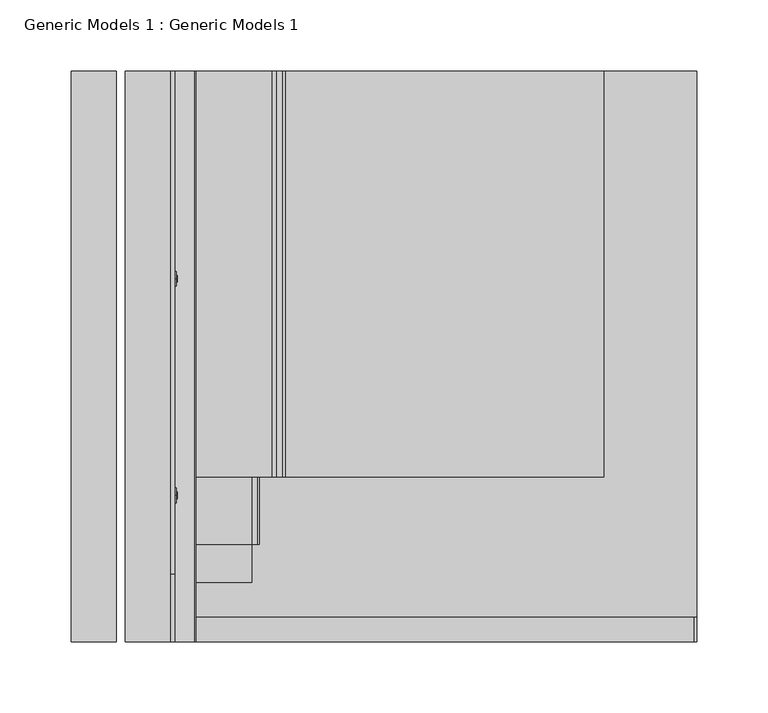
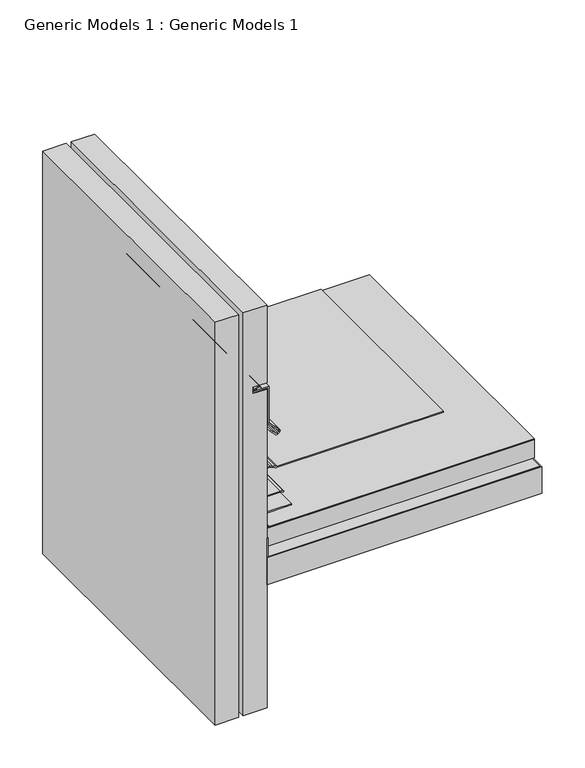
"""IFC4 building model written with IfcOpenShell, lengths in millimetres: proxy geometry, Generic Models 1 : Generic Models 1."""

from ifc_helpers import new_model, si_unit, point, frame, frame_2d, origin, place, context, project, spatial, polyline, circle_curve, trimmed, segment, composite_curve, outline, extrude, faceted_brep, source, transform, mapped, element, save
from ifc_brep_helpers import plane_surface, cylinder_surface, revolved_surface, advanced_brep


def generic_models_1_generic_models_1_fb7f0ab1(model_context):
    return source(origin(), model_context, "Body", "SolidModel", [
        extrude(outline(polyline([(160.7084407, 450.4638003), (161.5021907, 450.4638003), (161.5021907, 83.8272153), (188.0861756, 83.8272153), (188.0861756, 83.0334653), (160.7084407, 83.0334653), (160.7084407, 450.4638003)])), frame((0.0, -7.6337431, 0.0), z_axis=(0.0, 1.0, 0.0), x_axis=(0.0, 0.0, 1.0)), (0.0, 0.0, 1.0), 401.4806821),
        extrude(outline(polyline([(82.55, 261.3017557), (452.7651001, 261.3017557), (452.7651001, -7.6337431), (82.55, -7.6337431), (82.55, 261.3017557)])), frame((0.0, 0.0, 122.2156673), z_axis=(0.0, 0.0, 1.0), x_axis=(1.0, 0.0, 0.0)), (0.0, 0.0, 1.0), 38.1),
        advanced_brep(
        [(74.848277, 247.65, 376.3837714), (74.848277, 247.65, 378.1346767), (69.8833383, 247.65, 377.259224), (85.725, 247.65, 376.3837714), (85.725, 247.65, 378.1346767), (85.725, 247.65, 372.0261873), (85.725, 247.65, 382.4922608), (86.5293292, 247.65, 372.0261873), (86.5293292, 247.65, 382.4922608), (86.5293292, 247.65, 374.842855), (86.5293292, 247.65, 379.6755931), (87.3191506, 247.65, 374.842855), (87.3191506, 247.65, 379.6755931), (87.3191506, 247.65, 377.259224)],
        [
            (0, 1, circle_curve(frame((74.848277, 247.65, 377.259224), z_axis=(-1.0, 0.0, 0.0), x_axis=(0.0, 0.0, 1.0)), 0.8754526)),
            (1, 2),
            (2, 0),
            (1, 0, circle_curve(frame((74.848277, 247.65, 377.259224), z_axis=(-1.0, 0.0, 0.0), x_axis=(0.0, 0.0, 1.0)), 0.8754526)),
            (3, 4, circle_curve(frame((85.725, 247.65, 377.259224), z_axis=(-1.0, 0.0, 0.0), x_axis=(0.0, 0.0, 1.0)), 0.8754526)),
            (4, 1),
            (0, 3),
            (4, 3, circle_curve(frame((85.725, 247.65, 377.259224), z_axis=(-1.0, 0.0, 0.0), x_axis=(0.0, 0.0, 1.0)), 0.8754526)),
            (5, 6, circle_curve(frame((85.725, 247.65, 377.259224), z_axis=(-1.0, 0.0, 0.0), x_axis=(0.0, 0.0, 1.0)), 5.2330367)),
            (6, 4),
            (3, 5),
            (6, 5, circle_curve(frame((85.725, 247.65, 377.259224), z_axis=(-1.0, 0.0, 0.0), x_axis=(0.0, 0.0, 1.0)), 5.2330367)),
            (7, 8, circle_curve(frame((86.5293292, 247.65, 377.259224), z_axis=(-1.0, 0.0, 0.0), x_axis=(0.0, 0.0, 1.0)), 5.2330367)),
            (8, 6),
            (5, 7),
            (8, 7, circle_curve(frame((86.5293292, 247.65, 377.259224), z_axis=(-1.0, 0.0, 0.0), x_axis=(0.0, 0.0, 1.0)), 5.2330367)),
            (9, 10, circle_curve(frame((86.5293292, 247.65, 377.259224), z_axis=(-1.0, 0.0, 0.0), x_axis=(0.0, 0.0, 1.0)), 2.4163691)),
            (10, 8),
            (7, 9),
            (10, 9, circle_curve(frame((86.5293292, 247.65, 377.259224), z_axis=(-1.0, 0.0, 0.0), x_axis=(0.0, 0.0, 1.0)), 2.4163691)),
            (11, 12, circle_curve(frame((87.3191506, 247.65, 377.259224), z_axis=(-1.0, 0.0, 0.0), x_axis=(0.0, 0.0, 1.0)), 2.4163691)),
            (12, 10),
            (9, 11),
            (12, 11, circle_curve(frame((87.3191506, 247.65, 377.259224), z_axis=(-1.0, 0.0, 0.0), x_axis=(0.0, 0.0, 1.0)), 2.4163691)),
            (13, 12),
            (11, 13),
        ],
        [
            revolved_surface(polyline([(69.8833383, 247.65, 377.259224), (74.848277, 247.65, 378.1346767)]), (87.3191506, 247.65, 377.259224), (1.0, 0.0, 0.0)),
            cylinder_surface(frame((87.3191506, 247.65, 377.259224), z_axis=(1.0, 0.0, 0.0), x_axis=(0.0, 0.0, 1.0)), 0.8754526),
            plane_surface(frame((85.725, 247.65, 377.259224), z_axis=(-1.0, 0.0, 0.0), x_axis=(0.0, 0.0, 1.0))),
            cylinder_surface(frame((87.3191506, 247.65, 377.259224), z_axis=(1.0, 0.0, 0.0), x_axis=(0.0, 0.0, 1.0)), 5.2330367),
            plane_surface(frame((86.5293292, 247.65, 377.259224), z_axis=(1.0, 0.0, 0.0), x_axis=(0.0, 0.0, 1.0))),
            cylinder_surface(frame((87.3191506, 247.65, 377.259224), z_axis=(1.0, 0.0, 0.0), x_axis=(0.0, 0.0, 1.0)), 2.4163691),
            plane_surface(frame((87.3191506, 247.65, 377.259224), z_axis=(1.0, 0.0, 0.0), x_axis=(0.0, 0.0, 1.0))),
        ],
        [
            (0, [[1, 2, 3]]),
            (0, [[4, -3, -2]]),
            (1, [[5, 6, -1, 7]]),
            (1, [[8, -7, -4, -6]]),
            (2, [[9, 10, -5, 11]]),
            (2, [[12, -11, -8, -10]]),
            (3, [[13, 14, -9, 15]]),
            (3, [[16, -15, -12, -14]]),
            (4, [[17, 18, -13, 19]]),
            (4, [[20, -19, -16, -18]]),
            (5, [[21, 22, -17, 23]]),
            (5, [[24, -23, -20, -22]]),
            (6, [[25, -21, 26]]),
            (6, [[-26, -24, -25]]),
        ],
    ),
        advanced_brep(
        [(74.848277, 95.25, 376.3837714), (74.848277, 95.25, 378.1346767), (69.8833383, 95.25, 377.259224), (85.725, 95.25, 376.3837714), (85.725, 95.25, 378.1346767), (85.725, 95.25, 372.0261873), (85.725, 95.25, 382.4922608), (86.5293292, 95.25, 372.0261873), (86.5293292, 95.25, 382.4922608), (86.5293292, 95.25, 374.842855), (86.5293292, 95.25, 379.6755931), (87.3191506, 95.25, 374.842855), (87.3191506, 95.25, 379.6755931), (87.3191506, 95.25, 377.259224)],
        [
            (0, 1, circle_curve(frame((74.848277, 95.25, 377.259224), z_axis=(-1.0, 0.0, 0.0), x_axis=(0.0, 0.0, 1.0)), 0.8754526)),
            (1, 2),
            (2, 0),
            (1, 0, circle_curve(frame((74.848277, 95.25, 377.259224), z_axis=(-1.0, 0.0, 0.0), x_axis=(0.0, 0.0, 1.0)), 0.8754526)),
            (3, 4, circle_curve(frame((85.725, 95.25, 377.259224), z_axis=(-1.0, 0.0, 0.0), x_axis=(0.0, 0.0, 1.0)), 0.8754526)),
            (4, 1),
            (0, 3),
            (4, 3, circle_curve(frame((85.725, 95.25, 377.259224), z_axis=(-1.0, 0.0, 0.0), x_axis=(0.0, 0.0, 1.0)), 0.8754526)),
            (5, 6, circle_curve(frame((85.725, 95.25, 377.259224), z_axis=(-1.0, 0.0, 0.0), x_axis=(0.0, 0.0, 1.0)), 5.2330367)),
            (6, 4),
            (3, 5),
            (6, 5, circle_curve(frame((85.725, 95.25, 377.259224), z_axis=(-1.0, 0.0, 0.0), x_axis=(0.0, 0.0, 1.0)), 5.2330367)),
            (7, 8, circle_curve(frame((86.5293292, 95.25, 377.259224), z_axis=(-1.0, 0.0, 0.0), x_axis=(0.0, 0.0, 1.0)), 5.2330367)),
            (8, 6),
            (5, 7),
            (8, 7, circle_curve(frame((86.5293292, 95.25, 377.259224), z_axis=(-1.0, 0.0, 0.0), x_axis=(0.0, 0.0, 1.0)), 5.2330367)),
            (9, 10, circle_curve(frame((86.5293292, 95.25, 377.259224), z_axis=(-1.0, 0.0, 0.0), x_axis=(0.0, 0.0, 1.0)), 2.4163691)),
            (10, 8),
            (7, 9),
            (10, 9, circle_curve(frame((86.5293292, 95.25, 377.259224), z_axis=(-1.0, 0.0, 0.0), x_axis=(0.0, 0.0, 1.0)), 2.4163691)),
            (11, 12, circle_curve(frame((87.3191506, 95.25, 377.259224), z_axis=(-1.0, 0.0, 0.0), x_axis=(0.0, 0.0, 1.0)), 2.4163691)),
            (12, 10),
            (9, 11),
            (12, 11, circle_curve(frame((87.3191506, 95.25, 377.259224), z_axis=(-1.0, 0.0, 0.0), x_axis=(0.0, 0.0, 1.0)), 2.4163691)),
            (13, 12),
            (11, 13),
        ],
        [
            revolved_surface(polyline([(69.8833383, 95.25, 377.259224), (74.848277, 95.25, 378.1346767)]), (87.3191506, 95.25, 377.259224), (1.0, 0.0, 0.0)),
            cylinder_surface(frame((87.3191506, 95.25, 377.259224), z_axis=(1.0, 0.0, 0.0), x_axis=(0.0, 0.0, 1.0)), 0.8754526),
            plane_surface(frame((85.725, 95.25, 377.259224), z_axis=(-1.0, 0.0, 0.0), x_axis=(0.0, 0.0, 1.0))),
            cylinder_surface(frame((87.3191506, 95.25, 377.259224), z_axis=(1.0, 0.0, 0.0), x_axis=(0.0, 0.0, 1.0)), 5.2330367),
            plane_surface(frame((86.5293292, 95.25, 377.259224), z_axis=(1.0, 0.0, 0.0), x_axis=(0.0, 0.0, 1.0))),
            cylinder_surface(frame((87.3191506, 95.25, 377.259224), z_axis=(1.0, 0.0, 0.0), x_axis=(0.0, 0.0, 1.0)), 2.4163691),
            plane_surface(frame((87.3191506, 95.25, 377.259224), z_axis=(1.0, 0.0, 0.0), x_axis=(0.0, 0.0, 1.0))),
        ],
        [
            (0, [[1, 2, 3]]),
            (0, [[4, -3, -2]]),
            (1, [[5, 6, -1, 7]]),
            (1, [[8, -7, -4, -6]]),
            (2, [[9, 10, -5, 11]]),
            (2, [[12, -11, -8, -10]]),
            (3, [[13, 14, -9, 15]]),
            (3, [[16, -15, -12, -14]]),
            (4, [[17, 18, -13, 19]]),
            (4, [[20, -19, -16, -18]]),
            (5, [[21, 22, -17, 23]]),
            (5, [[24, -23, -20, -22]]),
            (6, [[25, -21, 26]]),
            (6, [[-26, -24, -25]]),
        ],
    ),
        extrude(outline(polyline([(82.55, 393.8469389), (452.7651001, 393.8469389), (452.7651001, 9.7411787), (82.55, 9.7411787), (82.55, 393.8469389)])), frame((0.0, 0.0, 188.9125), z_axis=(0.0, 0.0, 1.0), x_axis=(1.0, 0.0, 0.0)), (0.0, 0.0, 1.0), 0.79375),
        extrude(outline(composite_curve([segment(polyline([(403.225, 75.1423299), (403.225, 85.725)]), True, "CONTINUOUS"), segment(trimmed(circle_curve(frame_2d((402.9309182, 77.1993364)), 8.5307341), [point((403.225, 85.725))], [point((409.575, 82.55))], False, "CARTESIAN"), True, "CONTINUOUS"), segment(polyline([(409.575, 82.55), (409.575, 72.3151278)]), True, "CONTINUOUS"), segment(trimmed(circle_curve(frame_2d((405.0345156, 70.6618006)), 4.8321309), [point((409.575, 72.3151278))], [point((403.225, 75.1423299))], True, "CARTESIAN"), True, "CONTINUOUS")], self_intersect=False)), frame((0.0, 39.8923794, 0.0), z_axis=(0.0, 1.0, 0.0), x_axis=(0.0, 0.0, 1.0)), (0.0, 0.0, 1.0), 353.9545595),
        extrude(outline(composite_curve([segment(trimmed(circle_curve(frame_2d((403.8754514, 66.7034478)), 0.6504514), [point((404.4270654, 66.3587611))], [point((403.225, 66.7034478))], False, "CARTESIAN"), True, "CONTINUOUS"), segment(polyline([(403.225, 66.7034478), (403.225, 74.6810121)]), True, "CONTINUOUS"), segment(trimmed(circle_curve(frame_2d((404.5665127, 72.183032)), 2.835412), [point((403.225, 74.6810121))], [point((407.320521, 72.8575687))], False, "CARTESIAN"), True, "CONTINUOUS"), segment(polyline([(407.320521, 72.8575687), (404.4270654, 66.3587611)]), True, "CONTINUOUS")], self_intersect=False)), frame((0.0, -7.6337431, 0.0), z_axis=(0.0, 1.0, 0.0), x_axis=(0.0, 0.0, 1.0)), (0.0, 0.0, 1.0), 312.4337431),
        extrude(outline(composite_curve([segment(trimmed(circle_curve(frame_2d((334.2081059, 96.0417821)), 3.175), [point((331.9630419, 93.7967181))], [point((331.9630419, 98.2868461))], False, "CARTESIAN"), True, "CONTINUOUS"), segment(polyline([(331.9630419, 98.2868461), (333.1022579, 99.4260621)]), True, "CONTINUOUS"), segment(trimmed(circle_curve(frame_2d((335.3473219, 97.1809981)), 3.175), [point((333.1022579, 99.4260621))], [point((337.592386, 99.4260621))], False, "CARTESIAN"), True, "CONTINUOUS"), segment(polyline([(337.592386, 99.4260621), (351.2934481, 85.725), (403.225, 85.725), (403.225, 66.7034478)]), True, "CONTINUOUS"), segment(trimmed(circle_curve(frame_2d((403.8754514, 66.7034478)), 0.6504514), [point((403.225, 66.7034478))], [point((404.4270654, 66.3587611))], True, "CARTESIAN"), True, "CONTINUOUS"), segment(polyline([(404.4270654, 66.3587611), (407.6739293, 73.6513369), (409.1241828, 73.0056425), (405.8457235, 65.6421024)]), True, "CONTINUOUS"), segment(trimmed(circle_curve(frame_2d((403.8754514, 66.7034478)), 2.2379514), [point((405.8457235, 65.6421024))], [point((401.6375, 66.7034478))], False, "CARTESIAN"), True, "CONTINUOUS"), segment(polyline([(401.6375, 66.7034478), (401.6375, 84.1375), (350.6358841, 84.1375), (336.469854, 98.3035301)]), True, "CONTINUOUS"), segment(trimmed(circle_curve(frame_2d((335.3473219, 97.1809981)), 1.5875), [point((336.469854, 98.3035301))], [point((334.2247899, 98.3035301))], True, "CARTESIAN"), True, "CONTINUOUS"), segment(polyline([(334.2247899, 98.3035301), (333.0855739, 97.1643141)]), True, "CONTINUOUS"), segment(trimmed(circle_curve(frame_2d((334.2081059, 96.0417821)), 1.5875), [point((333.0855739, 97.1643141))], [point((333.0855739, 94.9192501))], True, "CARTESIAN"), True, "CONTINUOUS"), segment(polyline([(333.0855739, 94.9192501), (339.820766, 88.184058), (338.698234, 87.061526), (331.9630419, 93.7967181)]), True, "CONTINUOUS")], self_intersect=False)), frame((0.0, -7.6337431, 0.0), z_axis=(0.0, 1.0, 0.0), x_axis=(0.0, 0.0, 1.0)), (0.0, 0.0, 1.0), 401.4806821),
        extrude(outline(composite_curve([segment(trimmed(circle_curve(frame_2d((187.325, 153.7084294)), 6.35), [point((193.675, 153.7084294))], [point((193.0800544, 156.3920554))], True, "CARTESIAN"), True, "CONTINUOUS"), segment(polyline([(193.0800544, 156.3920554), (191.0949456, 160.6491351)]), True, "CONTINUOUS"), segment(trimmed(circle_curve(frame_2d((196.85, 163.3327611)), 6.35), [point((191.0949456, 160.6491351))], [point((190.5, 163.3327611))], False, "CARTESIAN"), True, "CONTINUOUS"), segment(polyline([(190.5, 163.3327611), (190.5, 387.35), (192.0875, 387.35), (192.0875, 163.3327611)]), True, "CONTINUOUS"), segment(trimmed(circle_curve(frame_2d((196.85, 163.3327611)), 4.7625), [point((192.0875, 163.3327611))], [point((192.5337092, 161.3200416))], True, "CARTESIAN"), True, "CONTINUOUS"), segment(polyline([(192.5337092, 161.3200416), (194.5188181, 157.0629619)]), True, "CONTINUOUS"), segment(trimmed(circle_curve(frame_2d((187.325, 153.7084294)), 7.9375), [point((194.5188181, 157.0629619))], [point((195.2625, 153.7084294))], False, "CARTESIAN"), True, "CONTINUOUS"), segment(polyline([(195.2625, 153.7084294), (195.2625, 98.5378202), (193.675, 98.5378202), (193.675, 153.7084294)]), True, "CONTINUOUS")], self_intersect=False)), frame((0.0, 108.2828596, 0.0), z_axis=(0.0, 1.0, 0.0), x_axis=(0.0, 0.0, 1.0)), (0.0, 0.0, 1.0), 285.5640793),
        extrude(outline(composite_curve([segment(polyline([(400.05, 82.55), (236.8806049, 82.55)]), True, "CONTINUOUS"), segment(trimmed(circle_curve(frame_2d((236.8806049, 88.9)), 6.35), [point((236.8806049, 82.55))], [point((233.8064244, 83.34375))], False, "CARTESIAN"), True, "CONTINUOUS"), segment(trimmed(circle_curve(frame_2d((230.7322439, 77.7875)), 6.35), [point((233.8064244, 83.34375))], [point((230.7322439, 84.1375))], True, "CARTESIAN"), True, "CONTINUOUS"), segment(polyline([(230.7322439, 84.1375), (206.4878202, 84.1375)]), True, "CONTINUOUS"), segment(trimmed(circle_curve(frame_2d((206.4878202, 90.4875)), 6.35), [point((206.4878202, 84.1375))], [point((201.9976921, 85.9973719))], False, "CARTESIAN"), True, "CONTINUOUS"), segment(polyline([(201.9976921, 85.9973719), (193.9473719, 94.0476921)]), True, "CONTINUOUS"), segment(trimmed(circle_curve(frame_2d((198.4375, 98.5378202)), 6.35), [point((193.9473719, 94.0476921))], [point((192.0875, 98.5378202))], False, "CARTESIAN"), True, "CONTINUOUS"), segment(polyline([(192.0875, 98.5378202), (192.0875, 139.6852414)]), True, "CONTINUOUS"), segment(trimmed(circle_curve(frame_2d((185.7375, 139.6852414)), 6.35), [point((192.0875, 139.6852414))], [point((191.2367613, 142.8602414))], True, "CARTESIAN"), True, "CONTINUOUS"), segment(polyline([(191.2367613, 142.8602414), (190.5, 144.1363494), (191.8748153, 144.9300994), (192.6115766, 143.6539914)]), True, "CONTINUOUS"), segment(trimmed(circle_curve(frame_2d((185.7375, 139.6852414)), 7.9375), [point((192.6115766, 143.6539914))], [point((193.675, 139.6852414))], False, "CARTESIAN"), True, "CONTINUOUS"), segment(polyline([(193.675, 139.6852414), (193.675, 98.5378202)]), True, "CONTINUOUS"), segment(trimmed(circle_curve(frame_2d((198.4375, 98.5378202)), 4.7625), [point((193.675, 98.5378202))], [point((195.069904, 95.1702241))], True, "CARTESIAN"), True, "CONTINUOUS"), segment(polyline([(195.069904, 95.1702241), (203.1202241, 87.119904)]), True, "CONTINUOUS"), segment(trimmed(circle_curve(frame_2d((206.4878202, 90.4875)), 4.7625), [point((203.1202241, 87.119904))], [point((206.4878202, 85.725))], True, "CARTESIAN"), True, "CONTINUOUS"), segment(polyline([(206.4878202, 85.725), (230.7322439, 85.725)]), True, "CONTINUOUS"), segment(trimmed(circle_curve(frame_2d((230.7322439, 77.7875)), 7.9375), [point((230.7322439, 85.725))], [point((234.5749695, 84.7328125))], False, "CARTESIAN"), True, "CONTINUOUS"), segment(trimmed(circle_curve(frame_2d((236.8806049, 88.9)), 4.7625), [point((234.5749695, 84.7328125))], [point((236.8806049, 84.1375))], True, "CARTESIAN"), True, "CONTINUOUS"), segment(polyline([(236.8806049, 84.1375), (401.6375, 84.1375), (401.6375, 63.5), (400.05, 63.5), (400.05, 82.55)]), True, "CONTINUOUS")], self_intersect=False)), frame((0.0, 60.9418638, 0.0), z_axis=(0.0, 1.0, 0.0), x_axis=(0.0, 0.0, 1.0)), (0.0, 0.0, 1.0), 332.9050752),
        faceted_brep([(82.55, 393.8469389, -53.2300869), (50.8, 393.8469389, -53.2300869), (50.8, 393.8469389, 519.7623023), (82.55, 393.8469389, 519.7623023), (82.55, -7.6337431, 519.7623023), (50.8, -7.6337431, 519.7623023), (50.8, -7.6337431, -53.2300869), (82.55, -7.6337431, -53.2300869), (82.55, -7.6337431, 400.05), (63.5, -7.6337431, 400.05), (63.5, -7.6337431, 409.575), (82.55, -7.6337431, 409.575), (82.55, 261.3017557, 409.575), (82.55, 261.3017557, 400.05), (63.5, 261.3017557, 409.575), (63.5, 261.3017557, 400.05)], [[[0, 1, 2, 3]], [[4, 5, 6, 7, 8, 9, 10, 11]], [[0, 3, 4, 11, 12, 13, 8, 7]], [[3, 2, 5, 4]], [[2, 1, 6, 5]], [[1, 0, 7, 6]], [[12, 14, 15, 13]], [[13, 15, 9, 8]], [[15, 14, 10, 9]], [[14, 12, 11, 10]]]),
        extrude(outline(composite_curve([segment(trimmed(circle_curve(frame_2d((205.8302561, 88.9)), 6.35), [point((205.8302561, 82.55))], [point((201.3401281, 84.4098719))], False, "CARTESIAN"), True, "CONTINUOUS"), segment(polyline([(201.3401281, 84.4098719), (192.3598719, 93.3901281)]), True, "CONTINUOUS"), segment(trimmed(circle_curve(frame_2d((196.85, 97.8802561)), 6.35), [point((192.3598719, 93.3901281))], [point((190.5, 97.8802561))], False, "CARTESIAN"), True, "CONTINUOUS"), segment(polyline([(190.5, 97.8802561), (190.5, 139.7), (192.0875, 139.7), (192.0875, 97.8802561)]), True, "CONTINUOUS"), segment(trimmed(circle_curve(frame_2d((196.85, 97.8802561)), 4.7625), [point((192.0875, 97.8802561))], [point((193.482404, 94.5126601))], True, "CARTESIAN"), True, "CONTINUOUS"), segment(polyline([(193.482404, 94.5126601), (202.4626601, 85.532404)]), True, "CONTINUOUS"), segment(trimmed(circle_curve(frame_2d((205.8302561, 88.9)), 4.7625), [point((202.4626601, 85.532404))], [point((205.8302561, 84.1375))], True, "CARTESIAN"), True, "CONTINUOUS"), segment(polyline([(205.8302561, 84.1375), (228.6, 84.1375), (228.6, 82.55), (205.8302561, 82.55)]), True, "CONTINUOUS")], self_intersect=False)), frame((0.0, 34.1351637, 0.0), z_axis=(0.0, 1.0, 0.0), x_axis=(0.0, 0.0, 1.0)), (0.0, 0.0, 1.0), 359.7117752),
        extrude(outline(polyline([(203.2, 82.55), (190.5, 82.55), (190.5, 95.25), (203.2, 82.55)])), frame((0.0, 9.7411787, 0.0), z_axis=(0.0, 1.0, 0.0), x_axis=(0.0, 0.0, 1.0)), (0.0, 0.0, 1.0), 384.1057602),
        extrude(outline(polyline([(85.1867928, 261.3017557), (452.7651001, 261.3017557), (452.7651001, 9.7411787), (85.1867928, 9.7411787), (85.1867928, 261.3017557)])), frame((0.0, 0.0, 162.71875), z_axis=(0.0, 0.0, 1.0), x_axis=(1.0, 0.0, 0.0)), (0.0, 0.0, 1.0), 25.4),
        extrude(outline(polyline([(44.45, -7.6337431), (12.7, -7.6337431), (12.7, 393.8469389), (44.45, 393.8469389), (44.45, -7.6337431)])), frame((0.0, 0.0, -53.2300869), z_axis=(0.0, 0.0, 1.0), x_axis=(1.0, 0.0, 0.0)), (0.0, 0.0, 1.0), 572.9923893),
    ])


if __name__ == "__main__":
    model = new_model("IFC4")
    model_context = context("Model", 3, world=origin())
    ifc_project = project(units=[si_unit("LENGTHUNIT", "METRE", prefix="MILLI")], contexts=[model_context])
    site = spatial("IfcSite", under=ifc_project)
    building = spatial("IfcBuilding", under=site)
    placement = place(None, origin())
    generic_models_1_generic_models_1_shape = generic_models_1_generic_models_1_fb7f0ab1(model_context)
    element("IfcBuildingElementProxy", 1, Name="Generic Models 1 : Generic Models 1", ObjectType="Generic Models 1 : Generic Models 1", at=placement, inside=building, context=model_context, shape_type="MappedRepresentation", body=[
        mapped(generic_models_1_generic_models_1_shape, transform((0.0, 0.0, 0.0), x_axis=(1.0, 0.0, 0.0), y_axis=(0.0, 1.0, 0.0), z_axis=(0.0, 0.0, 1.0))),
    ])
    save(model, "model.ifc")
